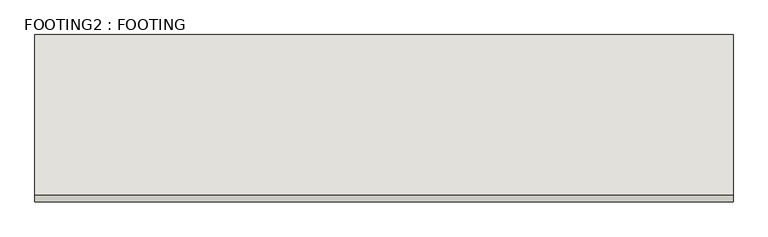
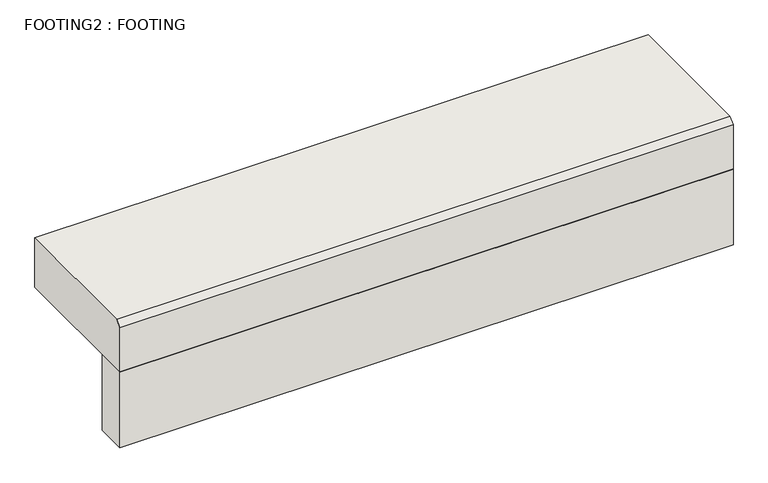
"""IFC4 building model written with IfcOpenShell, lengths in millimetres: wall geometry, FOOTING2 : FOOTING."""

from ifc_helpers import new_model, si_unit, frame, origin, place, context, project, spatial, polyline, outline, extrude, source, transform, mapped, element, save


def footing2_footing_38ad1941(model_context):
    return source(origin(), model_context, "Body", "SweptSolid", [
        extrude(outline(polyline([(1443.9308906, 2149.1097642), (1443.9308906, 2022.1097642), (-1096.0691094, 2022.1097642), (-1096.0691094, 2149.1097642), (1443.9308906, 2149.1097642)])), frame((0.0, 0.0, 351.2170679), z_axis=(0.0, 0.0, 1.0), x_axis=(1.0, 0.0, 0.0)), (0.0, 0.0, 1.0), 330.2),
        extrude(outline(polyline([(2631.7097642, 900.4920679), (2631.7097642, 684.5920679), (2022.1097642, 684.5920679), (2022.1097642, 876.6795679), (2045.9222642, 900.4920679), (2631.7097642, 900.4920679)])), frame((-1096.0691094, 0.0, 0.0), z_axis=(1.0, 0.0, 0.0), x_axis=(0.0, 1.0, 0.0)), (0.0, 0.0, 1.0), 2540.0),
    ])


if __name__ == "__main__":
    model = new_model("IFC4")
    model_context = context("Model", 3, world=origin())
    ifc_project = project(units=[si_unit("LENGTHUNIT", "METRE", prefix="MILLI")], contexts=[model_context])
    site = spatial("IfcSite", under=ifc_project)
    building = spatial("IfcBuilding", under=site)
    placement = place(None, origin())
    footing2_footing_shape = footing2_footing_38ad1941(model_context)
    element("IfcWall", 1, ObjectType="FOOTING2 : FOOTING", at=placement, inside=building, context=model_context, shape_type="MappedRepresentation", body=[
        mapped(footing2_footing_shape, transform((0.0, 0.0, 0.0), x_axis=(1.0, 0.0, 0.0), y_axis=(0.0, 1.0, 0.0), z_axis=(0.0, 0.0, 1.0))),
    ])
    save(model, "model.ifc")
